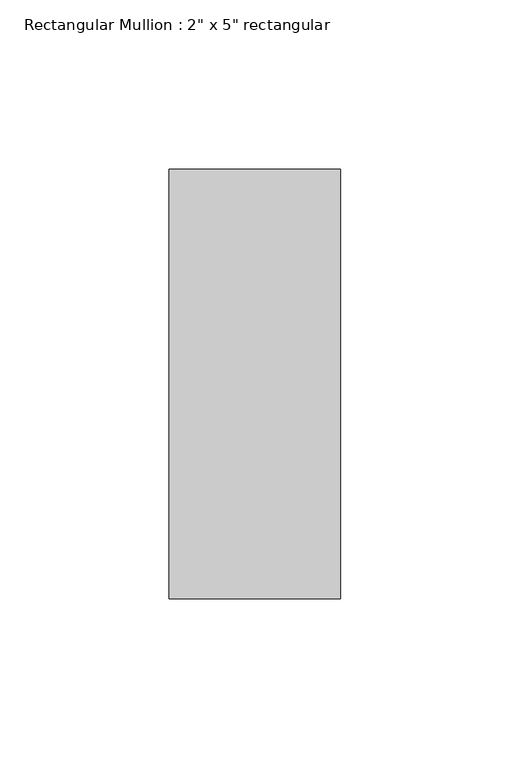
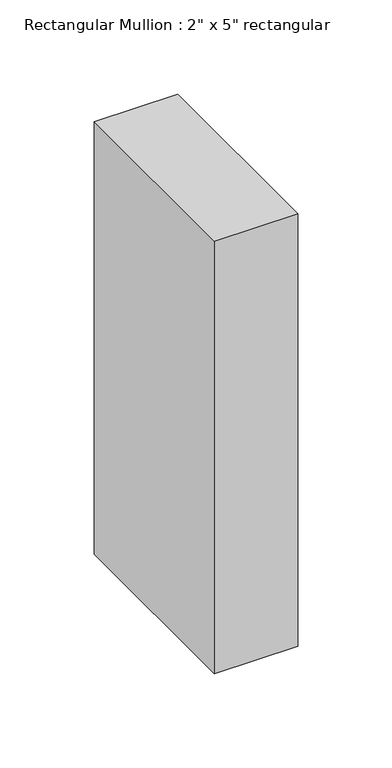
"""IFC4 building model written with IfcOpenShell, lengths in millimetres: member geometry."""

from ifc_helpers import new_model, si_unit, frame, origin, place, context, project, spatial, polyline, outline, extrude, source, transform, mapped, element, save


def member_091993ff(model_context):
    return source(origin(), model_context, "Body", "SweptSolid", [
        extrude(outline(polyline([(25.4, 63.5), (25.4, -63.5), (-25.4, -63.5), (-25.4, 63.5), (25.4, 63.5)])), frame((0.0, 0.0, -279.4), z_axis=(0.0, 0.0, 1.0), x_axis=(1.0, 0.0, 0.0)), (0.0, 0.0, 1.0), 279.4),
    ])


if __name__ == "__main__":
    model = new_model("IFC4")
    model_context = context("Model", 3, world=origin())
    ifc_project = project(units=[si_unit("LENGTHUNIT", "METRE", prefix="MILLI")], contexts=[model_context])
    site = spatial("IfcSite", under=ifc_project)
    building = spatial("IfcBuilding", under=site)
    placement = place(None, origin())
    member_shape = member_091993ff(model_context)
    element("IfcMember", 1, ObjectType="Rectangular Mullion : 2\" x 5\" rectangular", at=placement, inside=building, context=model_context, shape_type="MappedRepresentation", body=[
        mapped(member_shape, transform((0.0, 0.0, 0.0), x_axis=(1.0, 0.0, 0.0), y_axis=(0.0, 1.0, 0.0), z_axis=(0.0, 0.0, 1.0))),
    ])
    save(model, "model.ifc")
